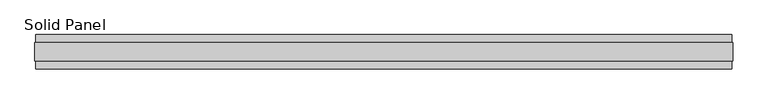
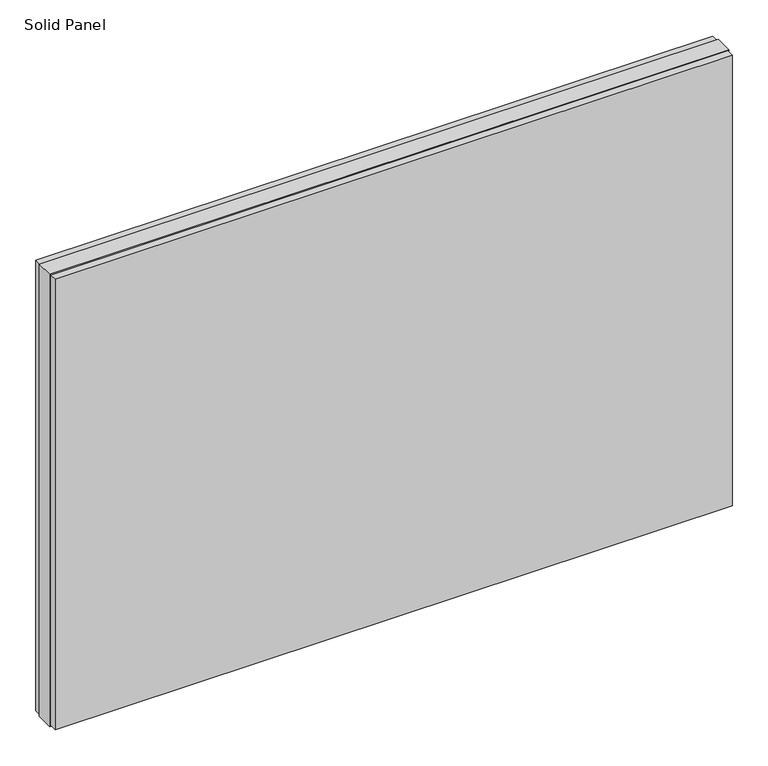
"""IFC4 building model written with IfcOpenShell, lengths in millimetres: plate geometry, Solid Panel."""

from ifc_helpers import new_model, si_unit, frame, origin, origin_with_axes, place, context, project, spatial, polyline, outline, extrude, source, transform, mapped, element, save


def solid_panel_528df3ab(model_context):
    return source(origin(), model_context, "Body", "SweptSolid", [
        extrude(outline(polyline([(989.0758932, -48.4531867), (-989.0758932, -48.4531867), (-989.0758932, -25.9961), (989.0758932, -25.9961), (989.0758932, -48.4531867)])), frame((0.0, 0.0, 3.0099), z_axis=(0.0, 0.0, 1.0), x_axis=(1.0, 0.0, 0.0)), (0.0, 0.0, 1.0), 1390.9802),
        extrude(outline(polyline([(989.0758932, 25.9977), (-989.0758932, 25.9977), (-989.0758932, 48.4547867), (989.0758932, 48.4547867), (989.0758932, 25.9977)])), frame((0.0, 0.0, 3.0099), z_axis=(0.0, 0.0, 1.0), x_axis=(1.0, 0.0, 0.0)), (0.0, 0.0, 1.0), 1390.9802),
        extrude(outline(polyline([(992.0730932, -25.9961), (-992.0730932, -25.9961), (-992.0730932, 25.9977), (992.0730932, 25.9977), (992.0730932, -25.9961)])), origin_with_axes(), (0.0, 0.0, 1.0), 1397.0),
    ])


if __name__ == "__main__":
    model = new_model("IFC4")
    model_context = context("Model", 3, world=origin())
    ifc_project = project(units=[si_unit("LENGTHUNIT", "METRE", prefix="MILLI")], contexts=[model_context])
    site = spatial("IfcSite", under=ifc_project)
    building = spatial("IfcBuilding", under=site)
    placement = place(None, origin())
    solid_panel_shape = solid_panel_528df3ab(model_context)
    element("IfcPlate", 1, ObjectType="Solid Panel", at=placement, inside=building, context=model_context, shape_type="MappedRepresentation", body=[
        mapped(solid_panel_shape, transform((0.0, 0.0, 0.0), x_axis=(1.0, 0.0, 0.0), y_axis=(0.0, 1.0, 0.0), z_axis=(0.0, 0.0, 1.0))),
    ])
    save(model, "model.ifc")
